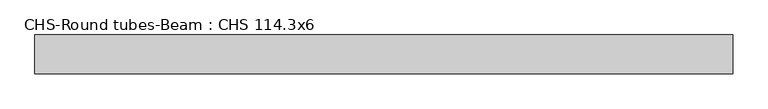
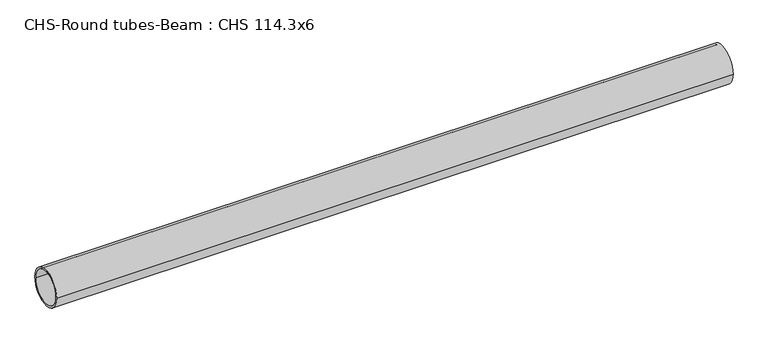
"""IFC4 building model written with IfcOpenShell, lengths in millimetres: beam geometry, CHS-Round tubes-Beam : CHS 114.3x6."""

from ifc_helpers import new_model, si_unit, point, frame, origin, origin_2d, place, context, project, spatial, circle_curve, trimmed, segment, composite_curve, outline, extrude, source, transform, mapped, element, save


def chs_round_tubes_beam_chs_114_3x6_fe6ce71e(model_context):
    return source(origin(), model_context, "Body", "SweptSolid", [
        extrude(outline(composite_curve([segment(trimmed(circle_curve(origin_2d(), 57.15), [point((57.15, 0.0))], [point((-57.15, 0.0))], False, "CARTESIAN"), True, "CONTINUOUS"), segment(trimmed(circle_curve(origin_2d(), 57.15), [point((-57.15, 0.0))], [point((57.15, 0.0))], False, "CARTESIAN"), True, "CONTINUOUS")], self_intersect=False), holes=[composite_curve([segment(trimmed(circle_curve(origin_2d(), 51.15), [point((51.15, 0.0))], [point((-51.15, 0.0))], True, "CARTESIAN"), True, "CONTINUOUS"), segment(trimmed(circle_curve(origin_2d(), 51.15), [point((-51.15, 0.0))], [point((51.15, 0.0))], True, "CARTESIAN"), True, "CONTINUOUS")], self_intersect=False)]), frame((-880.5351562, 0.0, 0.0), z_axis=(1.0, 0.0, 0.0), x_axis=(0.0, 1.0, 0.0)), (0.0, 0.0, 1.0), 2062.8327044),
    ])


if __name__ == "__main__":
    model = new_model("IFC4")
    model_context = context("Model", 3, world=origin())
    ifc_project = project(units=[si_unit("LENGTHUNIT", "METRE", prefix="MILLI")], contexts=[model_context])
    site = spatial("IfcSite", under=ifc_project)
    building = spatial("IfcBuilding", under=site)
    placement = place(None, origin())
    chs_round_tubes_beam_chs_114_3x6_shape = chs_round_tubes_beam_chs_114_3x6_fe6ce71e(model_context)
    element("IfcBeam", 1, ObjectType="CHS-Round tubes-Beam : CHS 114.3x6", at=placement, inside=building, context=model_context, shape_type="MappedRepresentation", body=[
        mapped(chs_round_tubes_beam_chs_114_3x6_shape, transform((0.0, 0.0, 0.0), x_axis=(1.0, 0.0, 0.0), y_axis=(0.0, 1.0, 0.0), z_axis=(0.0, 0.0, 1.0))),
    ])
    save(model, "model.ifc")
